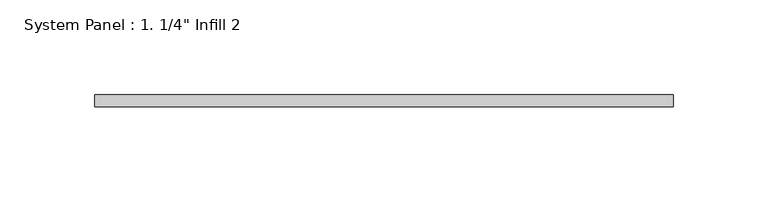
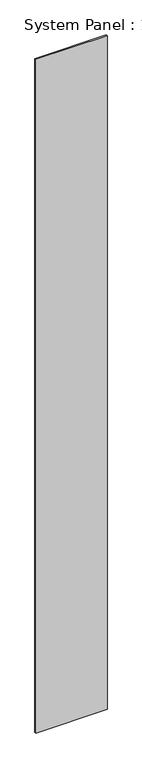
"""IFC4 building model written with IfcOpenShell, lengths in millimetres: plate geometry."""

from ifc_helpers import new_model, si_unit, origin, origin_with_axes, place, context, project, spatial, polyline, outline, extrude, source, transform, mapped, element, save


def plate_e99317e4(model_context):
    return source(origin(), model_context, "Body", "SweptSolid", [
        extrude(outline(polyline([(152.5176988, 0.0), (-152.5176988, 0.0), (-152.5176988, 6.35), (152.5176988, 6.35), (152.5176988, 0.0)])), origin_with_axes(), (0.0, 0.0, 1.0), 3048.0),
    ])


if __name__ == "__main__":
    model = new_model("IFC4")
    model_context = context("Model", 3, world=origin())
    ifc_project = project(units=[si_unit("LENGTHUNIT", "METRE", prefix="MILLI")], contexts=[model_context])
    site = spatial("IfcSite", under=ifc_project)
    building = spatial("IfcBuilding", under=site)
    placement = place(None, origin())
    plate_shape = plate_e99317e4(model_context)
    element("IfcPlate", 1, ObjectType="System Panel : 1. 1/4\" Infill 2", at=placement, inside=building, context=model_context, shape_type="MappedRepresentation", body=[
        mapped(plate_shape, transform((0.0, 0.0, 0.0), x_axis=(1.0, 0.0, 0.0), y_axis=(0.0, 1.0, 0.0), z_axis=(0.0, 0.0, 1.0))),
    ])
    save(model, "model.ifc")
